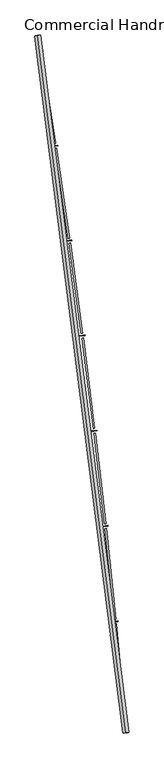
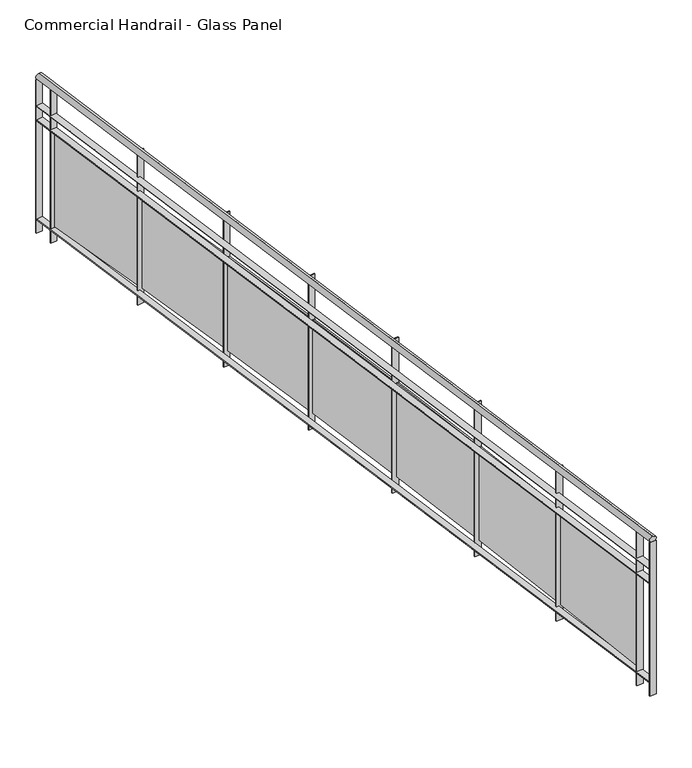
"""IFC4 building model written with IfcOpenShell, lengths in millimetres: railing geometry, Commercial Handrail - Glass Panel."""

from ifc_helpers import new_model, si_unit, point, frame, origin, place, context, project, spatial, polyline, circle_curve, ellipse_curve, trimmed, outline, extrude, source, transform, mapped, element, save
from ifc_brep_helpers import plane_surface, cylinder_surface, revolved_surface, advanced_brep


def commercial_handrail_glass_panel_7103f743(model_context):
    return source(origin(), model_context, "Body", "SolidModel", [
        advanced_brep(
        [(182571.9295754, -52879.5364282, 12882.5), (181834.8110467, -47067.1917957, 12882.5), (181834.8110467, -47067.1917957, 12917.5), (182571.9295754, -52879.5364282, 12917.5)],
        [
            (0, 1, circle_curve(frame((104368.4569212, -59844.3474174, 12882.5), z_axis=(0.0, 0.0, 1.0), x_axis=(0.9866690945138685, 0.16273935581531185, 0.0)), 78513.0035554)),
            (1, 2, ellipse_curve(frame((181834.8110467, -47067.1917957, 12900.0), z_axis=(0.16273935581530558, -0.9866690945138697, 0.0), x_axis=(-0.9866690945138695, -0.16273935581530555, 0.0)), 25.0, 17.5)),
            (2, 3, circle_curve(frame((104368.4569212, -59844.3474174, 12917.5), z_axis=(0.0, 0.0, -1.0), x_axis=(0.9866690945138685, 0.16273935581531185, 0.0)), 78513.0035554)),
            (3, 0, ellipse_curve(frame((182571.9295754, -52879.5364282, 12900.0), z_axis=(-0.08870901218759285, 0.9960575842574071, 0.0), x_axis=(-0.9960575842574071, -0.08870901218759285, 0.0)), 25.0, 17.5)),
            (2, 1, ellipse_curve(frame((181834.8110467, -47067.1917957, 12900.0), z_axis=(0.16273935581530558, -0.9866690945138697, 0.0), x_axis=(-0.9866690945138695, -0.16273935581530555, 0.0)), 25.0, 17.5)),
            (0, 3, ellipse_curve(frame((182571.9295754, -52879.5364282, 12900.0), z_axis=(-0.08870901218759285, 0.9960575842574071, 0.0), x_axis=(-0.9960575842574071, -0.08870901218759285, 0.0)), 25.0, 17.5)),
        ],
        [
            revolved_surface(trimmed(ellipse_curve(frame((181834.8110467, -47067.1917957, 12900.0), z_axis=(-0.16273935581531185, 0.9866690945138685, 0.0), x_axis=(0.0, 0.0, -1.0)), 17.5, 25.0), [point((181834.8110467, -47067.1917957, 12917.5))], [point((181834.8110467, -47067.1917957, 12882.5))], True, "CARTESIAN"), (104368.4569212, -59844.3474174, 12900.0), (0.0, 0.0, -1.0)),
            revolved_surface(trimmed(ellipse_curve(frame((181834.8110467, -47067.1917957, 12900.0), z_axis=(-0.16273935581531185, 0.9866690945138685, 0.0), x_axis=(0.0, 0.0, -1.0)), 17.5, 25.0), [point((181834.8110467, -47067.1917957, 12882.5))], [point((181834.8110467, -47067.1917957, 12917.5))], True, "CARTESIAN"), (104368.4569212, -59844.3474174, 12900.0), (0.0, 0.0, -1.0)),
            plane_surface(frame((181834.8110467, -47067.1917957, 12900.0), z_axis=(-0.16273935581531188, 0.9866690945138686, 0.0), x_axis=(0.9866690945138686, 0.16273935581531188, 0.0))),
            plane_surface(frame((182571.9295754, -52879.5364282, 12900.0), z_axis=(0.08870901218759289, -0.9960575842574071, 0.0), x_axis=(0.9960575842574071, 0.08870901218759289, 0.0))),
        ],
        [
            (0, [[1, 2, 3, 4]]),
            (1, [[-3, 5, -1, 6]]),
            (2, [[-2, -5]]),
            (3, [[-6, -4]]),
        ],
    ),
        advanced_brep(
        [(182594.340871, -52877.5404754, 12700.0), (181857.0111014, -47063.5301602, 12700.0), (181812.6109921, -47070.8534312, 12700.0), (182549.5182797, -52881.5323809, 12700.0), (182594.340871, -52877.5404754, 12694.0), (181857.0111014, -47063.5301602, 12694.0), (182549.5182797, -52881.5323809, 12694.0), (181812.6109921, -47070.8534312, 12694.0)],
        [
            (0, 1, circle_curve(frame((104368.4569212, -59844.3474174, 12700.0), z_axis=(0.0, 0.0, 1.0), x_axis=(0.9866690945138685, 0.16273935581531185, 0.0)), 78535.5035554)),
            (1, 2),
            (2, 3, circle_curve(frame((104368.4569212, -59844.3474174, 12700.0), z_axis=(0.0, 0.0, -1.0), x_axis=(0.9866690945138685, 0.16273935581531185, 0.0)), 78490.5035554)),
            (3, 0),
            (4, 5, circle_curve(frame((104368.4569212, -59844.3474174, 12694.0), z_axis=(0.0, 0.0, 1.0), x_axis=(0.9866690945138685, 0.16273935581531185, 0.0)), 78535.5035554)),
            (5, 1),
            (0, 4),
            (6, 7, circle_curve(frame((104368.4569212, -59844.3474174, 12694.0), z_axis=(0.0, 0.0, 1.0), x_axis=(0.9866690945138685, 0.16273935581531185, 0.0)), 78490.5035554)),
            (7, 5),
            (4, 6),
            (2, 7),
            (6, 3),
        ],
        [
            plane_surface(frame((104368.4569212, -59844.3474174, 12700.0), z_axis=(0.0, 0.0, 1.0000000000000002), x_axis=(0.9866690945138686, 0.16273935581531188, 0.0))),
            cylinder_surface(frame((104368.4569212, -59844.3474174, 12700.0), z_axis=(0.0, 0.0, -1.0), x_axis=(0.9866690945138685, 0.16273935581531185, 0.0)), 78535.5035554),
            plane_surface(frame((104368.4569212, -59844.3474174, 12694.0), z_axis=(0.0, 0.0, -1.0000000000000002), x_axis=(0.9866690945138686, 0.16273935581531188, 0.0))),
            revolved_surface(polyline([(181812.6109921441, -47070.85343117476, 12694.0), (181812.6109921441, -47070.85343117476, 12700.0)]), (104368.4569212, -59844.3474174, 12700.0), (0.0, 0.0, -1.0)),
            plane_surface(frame((181834.8110467, -47067.1917957, 12700.0), z_axis=(-0.16273935581531188, 0.9866690945138686, 0.0), x_axis=(0.9866690945138686, 0.16273935581531188, 0.0))),
            plane_surface(frame((182571.9295754, -52879.5364282, 12700.0), z_axis=(0.08870901218759289, -0.9960575842574071, 0.0), x_axis=(0.9960575842574071, 0.08870901218759289, 0.0))),
        ],
        [
            (0, [[1, 2, 3, 4]]),
            (1, [[5, 6, -1, 7]]),
            (2, [[8, 9, -5, 10]]),
            (3, [[-3, 11, -8, 12]]),
            (4, [[-2, -6, -9, -11]]),
            (5, [[-12, -10, -7, -4]]),
        ],
    ),
        advanced_brep(
        [(182594.340871, -52877.5404754, 12600.0), (181857.0111014, -47063.5301602, 12600.0), (181812.6109921, -47070.8534312, 12600.0), (182549.5182797, -52881.5323809, 12600.0), (182594.340871, -52877.5404754, 12594.0), (181857.0111014, -47063.5301602, 12594.0), (182549.5182797, -52881.5323809, 12594.0), (181812.6109921, -47070.8534312, 12594.0)],
        [
            (0, 1, circle_curve(frame((104368.4569212, -59844.3474174, 12600.0), z_axis=(0.0, 0.0, 1.0), x_axis=(0.9866690945138685, 0.16273935581531185, 0.0)), 78535.5035554)),
            (1, 2),
            (2, 3, circle_curve(frame((104368.4569212, -59844.3474174, 12600.0), z_axis=(0.0, 0.0, -1.0), x_axis=(0.9866690945138685, 0.16273935581531185, 0.0)), 78490.5035554)),
            (3, 0),
            (4, 5, circle_curve(frame((104368.4569212, -59844.3474174, 12594.0), z_axis=(0.0, 0.0, 1.0), x_axis=(0.9866690945138685, 0.16273935581531185, 0.0)), 78535.5035554)),
            (5, 1),
            (0, 4),
            (6, 7, circle_curve(frame((104368.4569212, -59844.3474174, 12594.0), z_axis=(0.0, 0.0, 1.0), x_axis=(0.9866690945138685, 0.16273935581531185, 0.0)), 78490.5035554)),
            (7, 5),
            (4, 6),
            (2, 7),
            (6, 3),
        ],
        [
            plane_surface(frame((104368.4569212, -59844.3474174, 12600.0), z_axis=(0.0, 0.0, 1.0000000000000002), x_axis=(0.9866690945138686, 0.16273935581531188, 0.0))),
            cylinder_surface(frame((104368.4569212, -59844.3474174, 12600.0), z_axis=(0.0, 0.0, -1.0), x_axis=(0.9866690945138685, 0.16273935581531185, 0.0)), 78535.5035554),
            plane_surface(frame((104368.4569212, -59844.3474174, 12594.0), z_axis=(0.0, 0.0, -1.0000000000000002), x_axis=(0.9866690945138686, 0.16273935581531188, 0.0))),
            revolved_surface(polyline([(181812.6109921441, -47070.85343117476, 12594.0), (181812.6109921441, -47070.85343117476, 12600.0)]), (104368.4569212, -59844.3474174, 12600.0), (0.0, 0.0, -1.0)),
            plane_surface(frame((181834.8110467, -47067.1917957, 12600.0), z_axis=(-0.16273935581531188, 0.9866690945138686, 0.0), x_axis=(0.9866690945138686, 0.16273935581531188, 0.0))),
            plane_surface(frame((182571.9295754, -52879.5364282, 12600.0), z_axis=(0.08870901218759289, -0.9960575842574071, 0.0), x_axis=(0.9960575842574071, 0.08870901218759289, 0.0))),
        ],
        [
            (0, [[1, 2, 3, 4]]),
            (1, [[5, 6, -1, 7]]),
            (2, [[8, 9, -5, 10]]),
            (3, [[-3, 11, -8, 12]]),
            (4, [[-2, -6, -9, -11]]),
            (5, [[-12, -10, -7, -4]]),
        ],
    ),
        advanced_brep(
        [(182594.340871, -52877.5404754, 11900.0), (181857.0111014, -47063.5301602, 11900.0), (181812.6109921, -47070.8534312, 11900.0), (182549.5182797, -52881.5323809, 11900.0), (182594.340871, -52877.5404754, 11894.0), (181857.0111014, -47063.5301602, 11894.0), (182549.5182797, -52881.5323809, 11894.0), (181812.6109921, -47070.8534312, 11894.0)],
        [
            (0, 1, circle_curve(frame((104368.4569212, -59844.3474174, 11900.0), z_axis=(0.0, 0.0, 1.0), x_axis=(0.9866690945138685, 0.16273935581531185, 0.0)), 78535.5035554)),
            (1, 2),
            (2, 3, circle_curve(frame((104368.4569212, -59844.3474174, 11900.0), z_axis=(0.0, 0.0, -1.0), x_axis=(0.9866690945138685, 0.16273935581531185, 0.0)), 78490.5035554)),
            (3, 0),
            (4, 5, circle_curve(frame((104368.4569212, -59844.3474174, 11894.0), z_axis=(0.0, 0.0, 1.0), x_axis=(0.9866690945138685, 0.16273935581531185, 0.0)), 78535.5035554)),
            (5, 1),
            (0, 4),
            (6, 7, circle_curve(frame((104368.4569212, -59844.3474174, 11894.0), z_axis=(0.0, 0.0, 1.0), x_axis=(0.9866690945138685, 0.16273935581531185, 0.0)), 78490.5035554)),
            (7, 5),
            (4, 6),
            (2, 7),
            (6, 3),
        ],
        [
            plane_surface(frame((104368.4569212, -59844.3474174, 11900.0), z_axis=(0.0, 0.0, 1.0000000000000002), x_axis=(0.9866690945138686, 0.16273935581531188, 0.0))),
            cylinder_surface(frame((104368.4569212, -59844.3474174, 11900.0), z_axis=(0.0, 0.0, -1.0), x_axis=(0.9866690945138685, 0.16273935581531185, 0.0)), 78535.5035554),
            plane_surface(frame((104368.4569212, -59844.3474174, 11894.0), z_axis=(0.0, 0.0, -1.0000000000000002), x_axis=(0.9866690945138686, 0.16273935581531188, 0.0))),
            revolved_surface(polyline([(181812.6109921441, -47070.85343117476, 11894.0), (181812.6109921441, -47070.85343117476, 11900.0)]), (104368.4569212, -59844.3474174, 11900.0), (0.0, 0.0, -1.0)),
            plane_surface(frame((181834.8110467, -47067.1917957, 11900.0), z_axis=(-0.16273935581531188, 0.9866690945138686, 0.0), x_axis=(0.9866690945138686, 0.16273935581531188, 0.0))),
            plane_surface(frame((182571.9295754, -52879.5364282, 11900.0), z_axis=(0.08870901218759289, -0.9960575842574071, 0.0), x_axis=(0.9960575842574071, 0.08870901218759289, 0.0))),
        ],
        [
            (0, [[1, 2, 3, 4]]),
            (1, [[5, 6, -1, 7]]),
            (2, [[8, 9, -5, 10]]),
            (3, [[-3, 11, -8, 12]]),
            (4, [[-2, -6, -9, -11]]),
            (5, [[-12, -10, -7, -4]]),
        ],
    ),
        extrude(outline(polyline([(182537.5994721, -52748.9749653), (182582.4153855, -52744.9087751), (182582.9575442, -52750.8842302), (182538.1416308, -52754.9504204), (182537.5994721, -52748.9749653)])), frame((0.0, 0.0, 11800.0), z_axis=(0.0, 0.0, 1.0), x_axis=(1.0, 0.0, 0.0)), (0.0, 0.0, 1.0), 1082.1192282),
        extrude(outline(polyline([(182492.8282703, -51972.8214769), (182565.3569267, -52729.3527677), (182553.4116957, -52730.497957), (182480.8830394, -51973.9666662), (182492.8282703, -51972.8214769)])), frame((0.0, 0.0, 11920.0), z_axis=(0.0, 0.0, 1.0), x_axis=(1.0, 0.0, 0.0)), (0.0, 0.0, 1.0), 660.0),
        extrude(outline(polyline([(182461.2452987, -51952.8608143), (182506.0174543, -51948.3381961), (182506.6204701, -51954.3078168), (182461.8483144, -51958.830435), (182461.2452987, -51952.8608143)])), frame((0.0, 0.0, 11800.0), z_axis=(0.0, 0.0, 1.0), x_axis=(1.0, 0.0, 0.0)), (0.0, 0.0, 1.0), 1082.1192282),
        extrude(outline(polyline([(182408.5680235, -51177.2038007), (182488.8013774, -51932.9568086), (182476.8684352, -51934.223651), (182396.6350812, -51178.4706431), (182408.5680235, -51177.2038007)])), frame((0.0, 0.0, 11920.0), z_axis=(0.0, 0.0, 1.0), x_axis=(1.0, 0.0, 0.0)), (0.0, 0.0, 1.0), 660.0),
        extrude(outline(polyline([(182376.7833078, -51157.5659801), (182421.5070573, -51152.5874034), (182422.1708676, -51158.55057), (182377.447118, -51163.5291467), (182376.7833078, -51157.5659801)])), frame((0.0, 0.0, 11800.0), z_axis=(0.0, 0.0, 1.0), x_axis=(1.0, 0.0, 0.0)), (0.0, 0.0, 1.0), 1082.1192282),
        extrude(outline(polyline([(182316.2054283, -50382.4859723), (182404.1351498, -51137.3822327), (182392.2157352, -51138.7705968), (182304.2860136, -50383.8743363), (182316.2054283, -50382.4859723)])), frame((0.0, 0.0, 11920.0), z_axis=(0.0, 0.0, 1.0), x_axis=(1.0, 0.0, 0.0)), (0.0, 0.0, 1.0), 660.0),
        extrude(outline(polyline([(182284.2222685, -50363.1730325), (182328.8929686, -50357.7390141), (182329.6175044, -50363.6951075), (182284.9468043, -50369.1291258), (182284.2222685, -50363.1730325)])), frame((0.0, 0.0, 11800.0), z_axis=(0.0, 0.0, 1.0), x_axis=(1.0, 0.0, 0.0)), (0.0, 0.0, 1.0), 1082.1192282),
        extrude(outline(polyline([(182215.750074, -49588.7505014), (182311.3670341, -50342.711639), (182299.4623845, -50344.2213805), (182203.8454245, -49590.2602429), (182215.750074, -49588.7505014)])), frame((0.0, 0.0, 11920.0), z_axis=(0.0, 0.0, 1.0), x_axis=(1.0, 0.0, 0.0)), (0.0, 0.0, 1.0), 660.0),
        extrude(outline(polyline([(182183.5717908, -49569.7644476), (182228.1848036, -49563.8755518), (182228.9699897, -49569.8239535), (182184.3569769, -49575.7128493), (182183.5717908, -49569.7644476)])), frame((0.0, 0.0, 11800.0), z_axis=(0.0, 0.0, 1.0), x_axis=(1.0, 0.0, 0.0)), (0.0, 0.0, 1.0), 1082.1192282),
        extrude(outline(polyline([(182107.2123904, -48796.0797961), (182210.5066616, -49549.0275324), (182198.6180132, -49550.6584945), (182095.3237419, -48797.7107583), (182107.2123904, -48796.0797961)])), frame((0.0, 0.0, 11920.0), z_axis=(0.0, 0.0, 1.0), x_axis=(1.0, 0.0, 0.0)), (0.0, 0.0, 1.0), 660.0),
        extrude(outline(polyline([(182074.8423245, -48777.4225994), (182119.3930181, -48771.0794376), (182120.238773, -48777.0195301), (182075.6880794, -48783.3626919), (182074.8423245, -48777.4225994)])), frame((0.0, 0.0, 11800.0), z_axis=(0.0, 0.0, 1.0), x_axis=(1.0, 0.0, 0.0)), (0.0, 0.0, 1.0), 1082.1192282),
        extrude(outline(polyline([(181990.6036459, -48004.5561536), (182101.5645041, -48756.4123154), (182089.6930911, -48758.1643289), (181978.7322329, -48006.3081672), (181990.6036459, -48004.5561536)])), frame((0.0, 0.0, 11920.0), z_axis=(0.0, 0.0, 1.0), x_axis=(1.0, 0.0, 0.0)), (0.0, 0.0, 1.0), 660.0),
        extrude(outline(polyline([(181958.0451582, -47986.2297512), (182002.5289072, -47979.4329819), (182003.4351431, -47985.3641484), (181958.9513941, -47992.1609177), (181958.0451582, -47986.2297512)])), frame((0.0, 0.0, 11800.0), z_axis=(0.0, 0.0, 1.0), x_axis=(1.0, 0.0, 0.0)), (0.0, 0.0, 1.0), 1082.1192282),
        extrude(outline(polyline([(181865.9359474, -47214.2617523), (181984.5518723, -47964.9482797), (181972.6989271, -47966.8211627), (181854.0830022, -47216.1346353), (181865.9359474, -47214.2617523)])), frame((0.0, 0.0, 11920.0), z_axis=(0.0, 0.0, 1.0), x_axis=(1.0, 0.0, 0.0)), (0.0, 0.0, 1.0), 660.0),
        extrude(outline(polyline([(181833.1924181, -47196.2680467), (181877.6046042, -47189.0183756), (181878.571227, -47194.9400004), (181834.1590409, -47202.1896715), (181833.1924181, -47196.2680467)])), frame((0.0, 0.0, 11800.0), z_axis=(0.0, 0.0, 1.0), x_axis=(1.0, 0.0, 0.0)), (0.0, 0.0, 1.0), 1082.1192282),
        extrude(outline(polyline([(182549.2521527, -52878.5442082), (182594.074744, -52874.5523026), (182594.606998, -52880.5286481), (182549.7844067, -52884.5205537), (182549.2521527, -52878.5442082)])), frame((0.0, 0.0, 11800.0), z_axis=(0.0, 0.0, 1.0), x_axis=(1.0, 0.0, 0.0)), (0.0, 0.0, 1.0), 1082.1192282),
        extrude(outline(polyline([(181812.122774, -47067.8934239), (181856.5228833, -47060.5701529), (181857.4993194, -47066.4901675), (181813.0992102, -47073.8134385), (181812.122774, -47067.8934239)])), frame((0.0, 0.0, 11800.0), z_axis=(0.0, 0.0, 1.0), x_axis=(1.0, 0.0, 0.0)), (0.0, 0.0, 1.0), 1082.1192282),
    ])


if __name__ == "__main__":
    model = new_model("IFC4")
    model_context = context("Model", 3, world=origin())
    ifc_project = project(units=[si_unit("LENGTHUNIT", "METRE", prefix="MILLI")], contexts=[model_context])
    site = spatial("IfcSite", under=ifc_project)
    building = spatial("IfcBuilding", under=site)
    placement = place(None, origin())
    commercial_handrail_glass_panel_shape = commercial_handrail_glass_panel_7103f743(model_context)
    element("IfcRailing", 1, ObjectType="Commercial Handrail - Glass Panel", at=placement, inside=building, context=model_context, shape_type="MappedRepresentation", body=[
        mapped(commercial_handrail_glass_panel_shape, transform((0.0, 0.0, 0.0), x_axis=(1.0, 0.0, 0.0), y_axis=(0.0, 1.0, 0.0), z_axis=(0.0, 0.0, 1.0))),
    ])
    save(model, "model.ifc")
